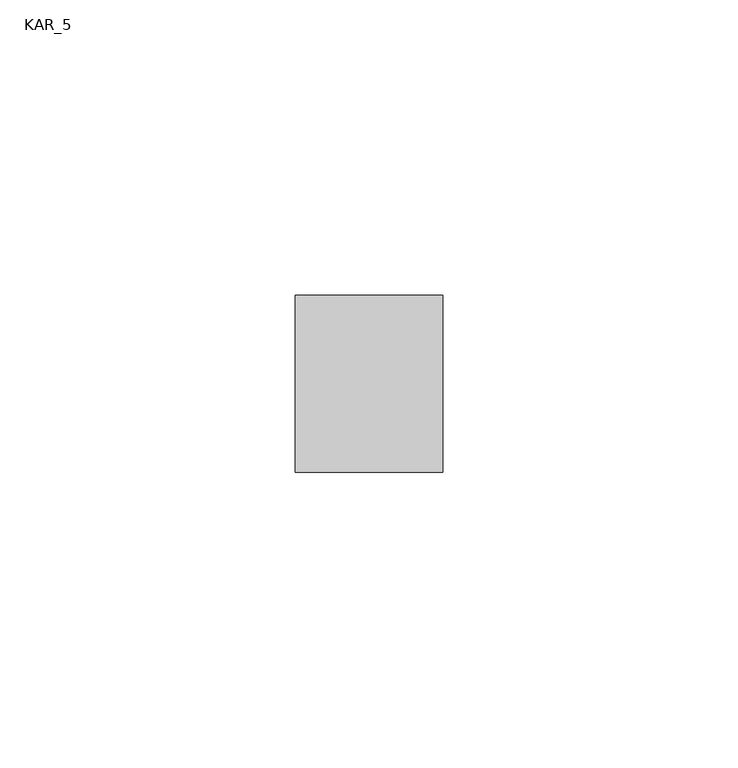
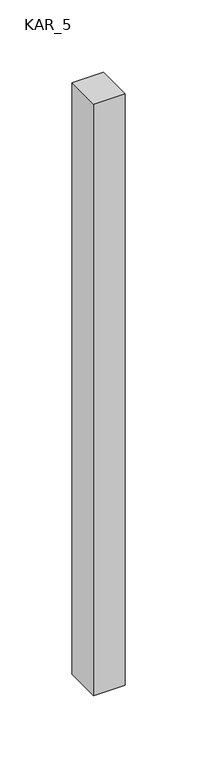
"""IFC4 building model written with IfcOpenShell, lengths in millimetres: proxy geometry, KAR_5."""

import ifcopenshell
import ifcopenshell.guid

model = None  # the IFC model being written
_history = None  # IfcOwnerHistory: only IFC2X3 demands one
_inside = {}  # id of a spatial element -> (the spatial element, [elements in it])
_under = {}  # id of a project, library or spatial element -> (it, [spatial elements below it])
_declared = {}  # id of a project -> (the project, [libraries it declares])
_typed = {}  # id of a type object -> (the type object, [elements of that type])
_made_of = {}  # id of a material, layer set ... -> (it, [elements and type objects made of it])


def new_model(schema):
    """Start an empty IFC model of exactly this schema.

    Asked for "IFC4X3", IfcOpenShell would pick the latest addendum, in which some entities
    have other attributes; the version numbers below select the first issue.
    IFC2X3 requires an IfcOwnerHistory on every rooted entity: one is made here for all.
    """
    global model, _history
    if schema == "IFC4X3":
        model = ifcopenshell.file(schema_version=(4, 3, 0, 0))
    else:
        model = ifcopenshell.file(schema=schema)
    _inside.clear()
    _under.clear()
    _declared.clear()
    _typed.clear()
    _made_of.clear()
    _history = None
    if model.schema == "IFC2X3":
        org = make("IfcOrganization", Name="unknown")
        user = make(
            "IfcPersonAndOrganization",
            ThePerson=make("IfcPerson", FamilyName="unknown"),
            TheOrganization=org,
        )
        app = make(
            "IfcApplication",
            ApplicationDeveloper=org,
            Version="unknown",
            ApplicationFullName="unknown",
            ApplicationIdentifier="unknown",
        )
        _history = make(
            "IfcOwnerHistory",
            OwningUser=user,
            OwningApplication=app,
            ChangeAction="ADDED",
            CreationDate=0,
        )
    return model


def make(cls, **values):
    """One entity of the class cls with the attributes given. An attribute that is None is left unset."""
    return model.create_entity(
        cls, **{name: value for name, value in values.items() if value is not None}
    )


def rooted(cls, **values):
    """An entity with a GlobalId (a new one), such as an element, a storey or a relation."""
    return make(cls, GlobalId=ifcopenshell.guid.new(), OwnerHistory=_history, **values)


def si_unit(unit_type, name, prefix=None):
    """IfcSIUnit, for example si_unit("LENGTHUNIT", "METRE", prefix="MILLI")."""
    return make("IfcSIUnit", UnitType=unit_type, Prefix=prefix, Name=name)


def assignment(units):
    """IfcUnitAssignment: the units of a project."""
    return None if units is None else make("IfcUnitAssignment", Units=units)


def point(xyz):
    """IfcCartesianPoint."""
    return None if xyz is None else make("IfcCartesianPoint", Coordinates=xyz)


def direction(xyz):
    """IfcDirection."""
    return None if xyz is None else make("IfcDirection", DirectionRatios=xyz)


def frame(location, z_axis=None, x_axis=None):
    """IfcAxis2Placement3D, a coordinate frame: its origin and axes. An axis left out is left unset."""
    return make(
        "IfcAxis2Placement3D",
        Location=point(location),
        Axis=direction(z_axis),
        RefDirection=direction(x_axis),
    )


def origin():
    """The frame at (0, 0, 0) with its axes left unset."""
    return frame((0.0, 0.0, 0.0))


def place(relative_to, where):
    """IfcLocalPlacement: puts the frame where relative to a parent placement (None: the world)."""
    return make(
        "IfcLocalPlacement", PlacementRelTo=relative_to, RelativePlacement=where
    )


def context(
    kind, dimensions, precision=None, world=None, true_north=None, identifier=None
):
    """IfcGeometricRepresentationContext, for example the 3D "Model" context."""
    return make(
        "IfcGeometricRepresentationContext",
        ContextIdentifier=identifier,
        ContextType=kind,
        CoordinateSpaceDimension=dimensions,
        Precision=precision,
        WorldCoordinateSystem=world,
        TrueNorth=true_north,
    )


def project(units=None, contexts=None):
    """IfcProject with its units and contexts."""
    return rooted(
        "IfcProject",
        Name="project",
        RepresentationContexts=contexts,
        UnitsInContext=assignment(units),
    )


def spatial(cls, under=None, at=None, **own):
    """A site, building, storey or space (cls), placed at a placement, below another one or the project."""
    s = rooted(cls, ObjectPlacement=at, **own)
    if under is not None:
        _under.setdefault(under.id(), (under, []))[1].append(s)
    return s


def polyline(points):
    """IfcPolyline through the points."""
    return make("IfcPolyline", Points=[point(p) for p in points])


def outline(outer, holes=None, kind="AREA"):
    """IfcArbitraryClosedProfileDef: a profile drawn as a closed curve; with holes, ...WithVoids."""
    if holes is None:
        return make("IfcArbitraryClosedProfileDef", ProfileType=kind, OuterCurve=outer)
    return make(
        "IfcArbitraryProfileDefWithVoids",
        ProfileType=kind,
        OuterCurve=outer,
        InnerCurves=holes,
    )


def extrude(swept, where, along, depth):
    """IfcExtrudedAreaSolid: the profile swept, set in the frame where, extruded along a direction by depth."""
    return make(
        "IfcExtrudedAreaSolid",
        SweptArea=swept,
        Position=where,
        ExtrudedDirection=direction(along),
        Depth=depth,
    )


def shape(context_of_items, identifier, shape_type, items):
    """IfcShapeRepresentation: the items that make up one representation, for example the "Body"."""
    return make(
        "IfcShapeRepresentation",
        ContextOfItems=context_of_items,
        RepresentationIdentifier=identifier,
        RepresentationType=shape_type,
        Items=items,
    )


def source(mapping_origin, context_of_items, identifier, shape_type, items):
    """IfcRepresentationMap: a shape defined once, which mapped items show again and again."""
    return make(
        "IfcRepresentationMap",
        MappingOrigin=mapping_origin,
        MappedRepresentation=shape(context_of_items, identifier, shape_type, items),
    )


def transform(
    local_origin,
    x_axis=None,
    y_axis=None,
    z_axis=None,
    scale=None,
    scale2=None,
    scale3=None,
    uniform=True,
):
    """IfcCartesianTransformationOperator3D, or its non-uniform kind. x_axis, y_axis, z_axis: its Axis1, 2, 3."""
    if uniform:
        return make(
            "IfcCartesianTransformationOperator3D",
            Axis1=direction(x_axis),
            Axis2=direction(y_axis),
            LocalOrigin=point(local_origin),
            Scale=scale,
            Axis3=direction(z_axis),
        )
    return make(
        "IfcCartesianTransformationOperator3DnonUniform",
        Axis1=direction(x_axis),
        Axis2=direction(y_axis),
        LocalOrigin=point(local_origin),
        Scale=scale,
        Axis3=direction(z_axis),
        Scale2=scale2,
        Scale3=scale3,
    )


def mapped(mapping_source, mapping_target):
    """IfcMappedItem: shows the shape of a source again, moved by a transform."""
    return make(
        "IfcMappedItem", MappingSource=mapping_source, MappingTarget=mapping_target
    )


def made_of(thing, what):
    """Note that an element or type object is made of a material, layer set ...; save() writes the relation."""
    if what is not None:
        _made_of.setdefault(what.id(), (what, []))[1].append(thing)
    return thing


def element(
    cls,
    number,
    at=None,
    inside=None,
    cuts=None,
    type_object=None,
    material=None,
    context=None,
    identifier="Body",
    shape_type=None,
    held_by="IfcProductDefinitionShape",
    body=None,
    shapes=None,
    **own,
):
    """One element of the class cls, such as IfcWall. Its Tag is "e" and its number.

    at: its placement. inside: the storey or other place that contains it. cuts: it is an
    opening in that element (IfcRelVoidsElement). A single representation is given by context,
    identifier, shape_type and body (its items); several are given by shapes. held_by: the class
    of the entity that holds the representations. save() writes the other relations.
    """
    e = rooted(cls, Tag="e%d" % number, ObjectPlacement=at, **own)
    if body is not None:
        shapes = [shape(context, identifier, shape_type, body)]
    if shapes is not None:
        e.Representation = make(held_by, Representations=shapes)
    if inside is not None:
        _inside.setdefault(inside.id(), (inside, []))[1].append(e)
    if cuts is not None:
        rooted(
            "IfcRelVoidsElement", RelatingBuildingElement=cuts, RelatedOpeningElement=e
        )
    if type_object is not None:
        _typed.setdefault(type_object.id(), (type_object, []))[1].append(e)
    return made_of(e, material)


def aggregate(whole, parts):
    """IfcRelAggregates: a whole, such as a stair, and the parts it consists of."""
    return rooted("IfcRelAggregates", RelatingObject=whole, RelatedObjects=parts)


def save(model, path):
    """Write the relations noted so far, then the file.

    IfcRelAggregates (storeys below a building ...), IfcRelContainedInSpatialStructure (elements
    in a storey), IfcRelDefinesByType, IfcRelAssociatesMaterial and IfcRelDeclares: one each for
    every whole, place, type object, material and project.
    """
    for whole, parts in _under.values():
        aggregate(whole, parts)
    for where, things in _inside.values():
        rooted(
            "IfcRelContainedInSpatialStructure",
            RelatedElements=things,
            RelatingStructure=where,
        )
    for kind, things in _typed.values():
        rooted("IfcRelDefinesByType", RelatedObjects=things, RelatingType=kind)
    for what, things in _made_of.values():
        rooted("IfcRelAssociatesMaterial", RelatedObjects=things, RelatingMaterial=what)
    for by, libraries in _declared.values():
        rooted("IfcRelDeclares", RelatingContext=by, RelatedDefinitions=libraries)
    model.write(path)


def kar_5_01d4f3c7(model_context):
    return source(origin(), model_context, "Body", "SweptSolid", [
        extrude(outline(polyline([(25.0, 30.0), (25.0, 0.0), (0.0, 0.0), (0.0, 30.0), (25.0, 30.0)])), frame((0.0, 0.0, 2200.0), z_axis=(0.0, 0.0, 1.0), x_axis=(1.0, 0.0, 0.0)), (0.0, 0.0, 1.0), 500.0),
    ])


if __name__ == "__main__":
    model = new_model("IFC4")
    model_context = context("Model", 3, world=origin())
    ifc_project = project(units=[si_unit("LENGTHUNIT", "METRE", prefix="MILLI")], contexts=[model_context])
    site = spatial("IfcSite", under=ifc_project)
    building = spatial("IfcBuilding", under=site)
    placement = place(None, origin())
    kar_5_shape = kar_5_01d4f3c7(model_context)
    element("IfcBuildingElementProxy", 1, Name="KAR_5", ObjectType="KAR_5", at=placement, inside=building, context=model_context, shape_type="MappedRepresentation", body=[
        mapped(kar_5_shape, transform((0.0, 0.0, 0.0), x_axis=(1.0, 0.0, 0.0), y_axis=(0.0, 1.0, 0.0), z_axis=(0.0, 0.0, 1.0))),
    ])
    save(model, "model.ifc")
